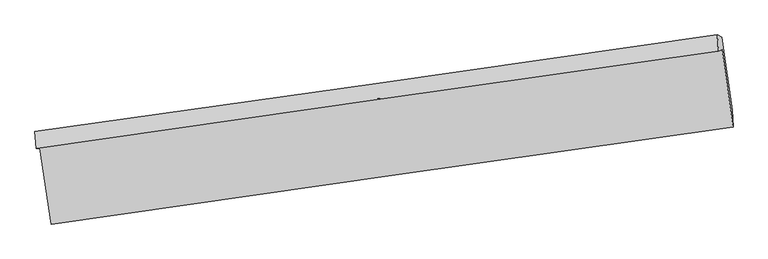
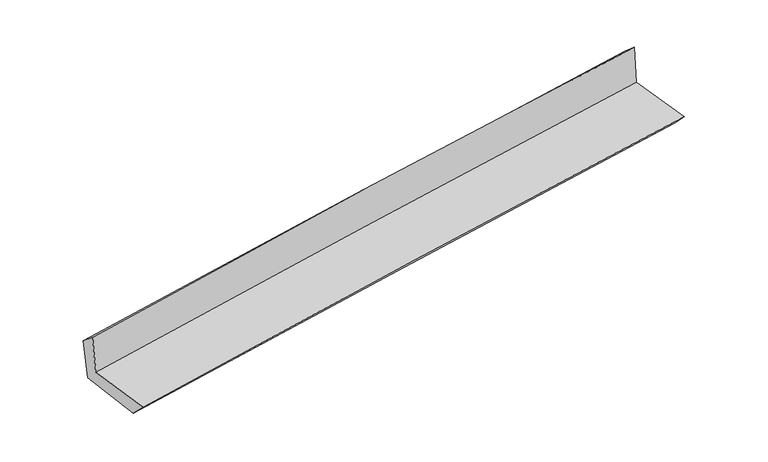
"""IFC4 building model written with IfcOpenShell, lengths in millimetres: proxy geometry."""

from ifc_helpers import new_model, si_unit, frame, origin, place, context, project, spatial, source, transform, mapped, element, save
from ifc_brep_helpers import plane_surface, spline_curve, spline_surface, advanced_brep


def generic_models_6775adb7(model_context):
    return source(origin(), model_context, "Body", "AdvancedBrep", [
        advanced_brep(
        [(-3001.309308, -1924.2818731, 1652.413893), (-2904.0834108, -2589.9579361, 1647.6586743), (3049.0589599, -1739.1790092, 2150.937375), (2953.1213478, -1062.934235, 2140.7383678), (-3034.1546945, -1926.5167113, 2041.7290307), (2921.6708468, -1078.3513764, 2536.0058344), (-3044.5853126, -1781.131722, 1915.9664462), (2911.6664805, -934.867515, 2412.2765922), (-3008.7989504, -1793.7557992, 1517.4990902), (2948.4255842, -957.2844938, 2018.2709147), (-2914.0657001, -2430.0285563, 1491.8056056), (3040.9904166, -1591.1443761, 1996.8236309)],
        [
            (0, 1),
            (1, 2, spline_curve(3, [(-2904.0834108, -2589.9579361, 1647.6586743), (-1913.338490264, -2448.306885628, 1746.50160136), (-921.959146074, -2306.595732355, 1837.856831758), (1062.421193093, -2023.002799394, 2005.621725281), (2055.422638787, -1881.12097735, 2082.026061999), (3049.0589599, -1739.1790092, 2150.937375)], [4, 2, 4], [0.0, 9.899044988754873, 19.8016104962472])),
            (2, 3),
            (3, 0, spline_curve(3, [(2953.1213478, -1062.934235, 2140.7383678), (1959.703070286, -1206.461158933, 2069.229108156), (966.70323182, -1350.016357337, 1992.772657711), (-1018.106689425, -1637.132256866, 1829.994315971), (-2009.917069444, -1780.692937735, 1743.675941346), (-3001.309308, -1924.2818731, 1652.413893)], [4, 2, 4], [0.0, 9.902565507492326, 19.8016104962472])),
            (4, 0),
            (3, 5),
            (5, 4, spline_curve(3, [(2921.6708468, -1078.3513764, 2536.0058344), (1927.301151031, -1219.780781601, 2472.172301477), (933.709405912, -1361.188490843, 2399.056828497), (-1051.565221698, -1643.910253792, 2234.291295087), (-2043.24865707, -1785.224322615, 2142.647833829), (-3034.1546945, -1926.5167113, 2041.7290307)], [4, 2, 4], [0.0, 9.903887943364683, 19.804254897845034])),
            (6, 4),
            (5, 7),
            (7, 6, spline_curve(3, [(2911.6664805, -934.867515, 2412.2765922), (1918.688168866, -1077.228044558, 2333.127025555), (925.756458861, -1218.942749834, 2252.185391698), (-1059.660772494, -1501.030359546, 2086.747402242), (-2052.146326742, -1641.40372326, 2002.252320925), (-3044.5853126, -1781.131722, 1915.9664462)], [4, 2, 4], [0.0, 9.904055266137124, 19.804589483904024])),
            (8, 6),
            (7, 9),
            (9, 8, spline_curve(3, [(2948.4255842, -957.2844938, 2018.2709147), (1955.420688934, -1099.26066735, 1938.929845774), (962.394598485, -1239.966863424, 1857.520539034), (-1023.346928261, -1518.789728994, 1690.595127154), (-2016.062349172, -1656.907301578, 1605.080492658), (-3008.7989504, -1793.7557992, 1517.4990902)], [4, 2, 4], [0.0, 9.90415624627006, 19.80479140826986])),
            (10, 8),
            (9, 11),
            (11, 10, spline_curve(3, [(3040.9904166, -1591.1443761, 1996.8236309), (2048.043802505, -1732.477380883, 1918.234577201), (1055.227613481, -1873.063194278, 1836.847235294), (-929.790999583, -2152.69072328, 1668.50590403), (-1921.993515999, -2291.732969865, 1581.553904366), (-2914.0657001, -2430.0285563, 1491.8056056)], [4, 2, 4], [0.0, 9.90295641516968, 19.80239217262804])),
            (1, 10),
            (11, 2),
        ],
        [
            spline_surface(3, 3, [[(-3001.309308, -1924.2818731, 1652.413893), (-2009.917069322, -1780.692937805, 1743.675941322), (-1018.10668938, -1637.132256837, 1829.994315886), (966.703231774, -1350.016357366, 1992.772657797), (1959.703070383, -1206.461158974, 2069.229108179), (2953.1213478, -1062.934235, 2140.7383678)], [(-2968.900675575, -2146.173894127, 1650.828820085), (-1977.724209658, -2003.230920475, 1744.617828002), (-986.057508255, -1860.286748682, 1832.615154468), (998.609218809, -1574.345171406, 1997.055680315), (1991.609593155, -1431.347765081, 2073.494759451), (2985.10055182, -1288.349159752, 2144.138036849)], [(-2936.492043225, -2368.065915073, 1649.243747215), (-1945.53135007, -2225.768903065, 1745.559714728), (-954.008327057, -2083.441240473, 1835.235993077), (1030.515205916, -1798.673985392, 2001.338702861), (2023.516115966, -1656.234371132, 2077.760410775), (3017.07975588, -1513.764084448, 2147.537705951)], [(-2904.0834108, -2589.9579361, 1647.6586743), (-1913.338490406, -2448.306885735, 1746.501601408), (-921.959145932, -2306.595732318, 1837.856831659), (1062.421192951, -2023.002799431, 2005.62172538), (2055.422638738, -1881.120977238, 2082.026062046), (3049.0589599, -1739.1790092, 2150.937375)]], [4, 4], [4, 2, 4], [0.0, 2.2248210285469816], [0.0, 9.899044988754873, 19.8016104962472]),
            spline_surface(3, 3, [[(-3034.1546945, -1926.5167113, 2041.7290307), (-2043.248656932, -1785.224322615, 2142.647833814), (-1051.565221586, -1643.910253758, 2234.291295219), (933.7094058, -1361.188490877, 2399.056828366), (1927.301150884, -1219.780781442, 2472.172301527), (2921.6708468, -1078.3513764, 2536.0058344)], [(-3023.206232345, -1925.771765224, 1911.957318162), (-2032.138127741, -1783.713861002, 2009.657203012), (-1040.41237751, -1641.650921429, 2099.525635457), (944.707347798, -1357.464446352, 2263.628771525), (1938.101790728, -1215.340907277, 2337.857903766), (2932.154347145, -1073.212329257, 2404.250012221)], [(-3012.257770155, -1925.026819176, 1782.185605538), (-2021.027598514, -1782.203399418, 1876.666572124), (-1029.259533456, -1639.391589165, 1964.759975648), (955.705289776, -1353.740401891, 2128.200714637), (1948.902430538, -1210.90103314, 2203.54350594), (2942.637847455, -1068.073282143, 2272.494189979)], [(-3001.309308, -1924.2818731, 1652.413893), (-2009.917069322, -1780.692937805, 1743.675941322), (-1018.10668938, -1637.132256837, 1829.994315886), (966.703231774, -1350.016357366, 1992.772657797), (1959.703070383, -1206.461158974, 2069.229108179), (2953.1213478, -1062.934235, 2140.7383678)]], [4, 4], [4, 2, 4], [0.0, 1.3344804696633832], [0.0, 9.90036695448035, 19.804254897845034]),
            spline_surface(3, 3, [[(-3044.5853126, -1781.131722, 1915.9664462), (-2052.146326659, -1641.40372338, 2002.25232095), (-1059.660772426, -1501.030359627, 2086.7474023), (925.756458793, -1218.942749754, 2252.18539164), (1918.688168964, -1077.228044492, 2333.127025591), (2911.6664805, -934.867515, 2412.2765922)], [(-3041.108439906, -1829.59338511, 1957.887307694), (-2049.180436757, -1689.343923135, 2049.050825233), (-1056.962255459, -1548.656991016, 2135.928699923), (928.407441149, -1266.357996807, 2301.142537199), (1921.559162951, -1124.745623474, 2379.475450882), (2915.00126928, -982.695468799, 2453.519672912)], [(-3037.631567194, -1878.05504819, 1999.808169206), (-2046.214546835, -1737.28412286, 2095.849329532), (-1054.263738553, -1596.283622369, 2185.109997596), (931.058423444, -1313.773243824, 2350.099682807), (1924.430156897, -1172.26320246, 2425.823876236), (2918.33605802, -1030.523422601, 2494.762753688)], [(-3034.1546945, -1926.5167113, 2041.7290307), (-2043.248656932, -1785.224322615, 2142.647833814), (-1051.565221586, -1643.910253758, 2234.291295219), (933.7094058, -1361.188490877, 2399.056828366), (1927.301150884, -1219.780781442, 2472.172301527), (2921.6708468, -1078.3513764, 2536.0058344)]], [4, 4], [4, 2, 4], [0.0, 0.6728407870259652], [0.0, 9.9005342177669, 19.804589483904024]),
            spline_surface(3, 3, [[(-3008.7989504, -1793.7557992, 1517.4990902), (-2016.062349331, -1656.907301414, 1605.08049251), (-1023.346928184, -1518.789729029, 1690.59512717), (962.394598409, -1239.966863388, 1857.520539018), (1955.420688812, -1099.260667322, 1938.929845804), (2948.4255842, -957.2844938, 2018.2709147)], [(-3020.727737788, -1789.547773458, 1650.321542201), (-2028.090341762, -1651.739442061, 1737.471101991), (-1035.451542947, -1512.869939221, 1822.645885553), (950.181885188, -1232.958825502, 1989.075489898), (1943.17651553, -1091.916459719, 2070.328905723), (2936.172549635, -949.81216754, 2149.606140523)], [(-3032.656525212, -1785.339747742, 1783.143994199), (-2040.118334228, -1646.571582733, 1869.861711469), (-1047.556157663, -1506.950149435, 1954.696643917), (937.969172014, -1225.95078764, 2120.63044076), (1930.932342245, -1084.572252095, 2201.727965672), (2923.919515065, -942.33984126, 2280.941366377)], [(-3044.5853126, -1781.131722, 1915.9664462), (-2052.146326659, -1641.40372338, 2002.25232095), (-1059.660772426, -1501.030359627, 2086.7474023), (925.756458793, -1218.942749754, 2252.18539164), (1918.688168964, -1077.228044492, 2333.127025591), (2911.6664805, -934.867515, 2412.2765922)]], [4, 4], [4, 2, 4], [0.0, 1.3043320869721686], [0.0, 9.9006351619998, 19.80479140826986]),
            spline_surface(3, 3, [[(-2914.0657001, -2430.0285563, 1491.8056056), (-1921.993515928, -2291.732969963, 1581.553904302), (-929.790999479, -2152.690723219, 1668.505904119), (1055.227613377, -1873.063194339, 1836.847235205), (2048.043802476, -1732.477381007, 1918.234577151), (3040.9904166, -1591.1443761, 1996.8236309)], [(-2945.643450209, -2217.937637272, 1500.370100461), (-1953.349793738, -2080.124413785, 1589.396100366), (-960.976309039, -1941.390391814, 1675.868978492), (1024.283275063, -1662.031084014, 1843.738336499), (2017.169431228, -1521.405143106, 1925.133000055), (3010.13547244, -1379.85774866, 2003.97272552)], [(-2977.221200291, -2005.846718228, 1508.934595339), (-1984.706071521, -1868.515857592, 1597.238296446), (-992.161618625, -1730.090060433, 1683.232052797), (993.338936722, -1450.998973713, 1850.629437724), (1986.295060059, -1310.332905224, 1932.0314229), (2979.28052836, -1168.57112124, 2011.12182008)], [(-3008.7989504, -1793.7557992, 1517.4990902), (-2016.062349331, -1656.907301414, 1605.08049251), (-1023.346928184, -1518.789729029, 1690.59512717), (962.394598409, -1239.966863388, 1857.520539018), (1955.420688812, -1099.260667322, 1938.929845804), (2948.4255842, -957.2844938, 2018.2709147)]], [4, 4], [4, 2, 4], [0.0, 2.1019476239968578], [0.0, 9.89943575745836, 19.80239217262804]),
            spline_surface(3, 3, [[(-2904.0834108, -2589.9579361, 1647.6586743), (-1913.338490406, -2448.306885735, 1746.501601408), (-921.959145932, -2306.595732318, 1837.856831659), (1062.421192951, -2023.002799431, 2005.62172538), (2055.422638738, -1881.120977238, 2082.026062046), (3049.0589599, -1739.1790092, 2150.937375)], [(-2907.410840577, -2536.64814281, 1595.707651397), (-1916.223498923, -2396.115580455, 1691.519035703), (-924.569763778, -2255.294062625, 1781.40652246), (1060.023333096, -1973.022931074, 1949.363561969), (2052.963026664, -1831.573111821, 2027.428900422), (3046.36944548, -1689.834131492, 2099.566126974)], [(-2910.738270323, -2483.33834959, 1543.756628503), (-1919.108507411, -2343.924275244, 1636.536470007), (-927.180381633, -2203.992392912, 1724.956213318), (1057.625473232, -1923.043062696, 1893.105398616), (2050.50341455, -1782.025246425, 1972.831738775), (3043.67993102, -1640.489253808, 2048.194878926)], [(-2914.0657001, -2430.0285563, 1491.8056056), (-1921.993515928, -2291.732969963, 1581.553904302), (-929.790999479, -2152.690723219, 1668.505904119), (1055.227613377, -1873.063194339, 1836.847235205), (2048.043802476, -1732.477381007, 1918.234577151), (3040.9904166, -1591.1443761, 1996.8236309)]], [4, 4], [4, 2, 4], [0.0, 0.7461208240161495], [0.0, 9.898029981259077, 19.799580120276048]),
            plane_surface(frame((2970.8222726, -1227.2935009, 2209.1754525), z_axis=(0.9864104493910122, 0.14120703402608836, 0.08399404070394856), x_axis=(-0.09274378183058721, 0.05655838092440328, 0.9940823610139005))),
            plane_surface(frame((-2984.4995627, -2074.2787663, 1711.17879), z_axis=(-0.9860886275370988, -0.14342386468927237, -0.08401674642352158), x_axis=(-0.14451889528997755, 0.9894767953083188, 0.007068270689785263))),
        ],
        [
            (0, [[1, 2, 3, 4]]),
            (1, [[5, -4, 6, 7]]),
            (2, [[8, -7, 9, 10]]),
            (3, [[11, -10, 12, 13]]),
            (4, [[14, -13, 15, 16]]),
            (5, [[17, -16, 18, -2]]),
            (6, [[-12, -9, -6, -3, -18, -15]]),
            (7, [[-1, -5, -8, -11, -14, -17]]),
        ],
    ),
    ])


if __name__ == "__main__":
    model = new_model("IFC4")
    model_context = context("Model", 3, world=origin())
    ifc_project = project(units=[si_unit("LENGTHUNIT", "METRE", prefix="MILLI")], contexts=[model_context])
    site = spatial("IfcSite", under=ifc_project)
    building = spatial("IfcBuilding", under=site)
    placement = place(None, origin())
    generic_models_shape = generic_models_6775adb7(model_context)
    element("IfcBuildingElementProxy", 1, Name="Generic Models", at=placement, inside=building, context=model_context, shape_type="MappedRepresentation", body=[
        mapped(generic_models_shape, transform((0.0, 0.0, 0.0), x_axis=(1.0, 0.0, 0.0), y_axis=(0.0, 1.0, 0.0), z_axis=(0.0, 0.0, 1.0))),
    ])
    save(model, "model.ifc")
